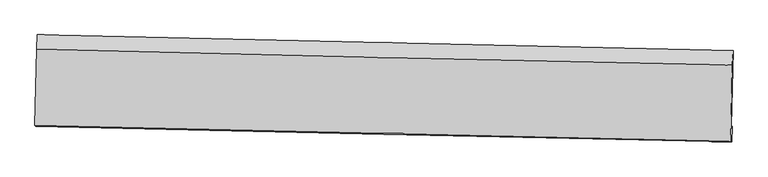
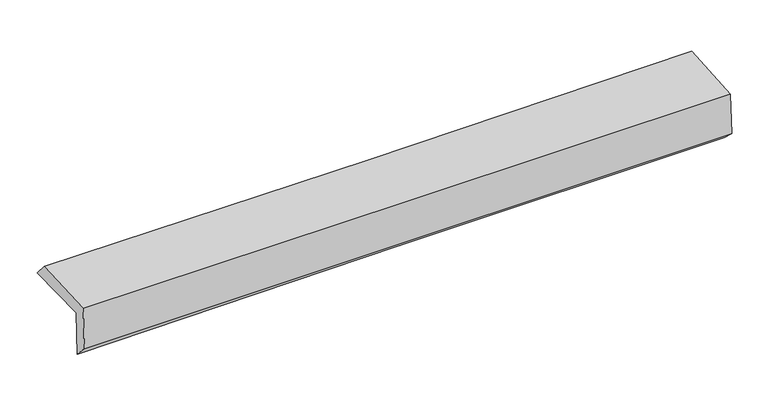
"""IFC4 building model written with IfcOpenShell, lengths in millimetres: proxy geometry."""

from ifc_helpers import new_model, si_unit, frame, origin, place, context, project, spatial, source, transform, mapped, element, save
from ifc_brep_helpers import plane_surface, spline_curve, spline_surface, advanced_brep


def generic_models_3c1c4b00(model_context):
    return source(origin(), model_context, "Body", "AdvancedBrep", [
        advanced_brep(
        [(-3031.3483382, -1740.1781697, 1974.2864923), (-3014.8149008, -1076.4875462, 1970.0351891), (3021.8947043, -1212.7684626, 2117.4669622), (3005.8552907, -1869.0205507, 2107.0603032), (-3022.8115816, -1746.0133072, 1563.4382155), (3014.3975581, -1875.4992076, 1695.1966715), (-3028.755543, -1871.7053402, 1697.3606175), (3008.4342716, -2009.7574504, 1819.9894396), (-3037.0524867, -1865.5792213, 2097.2008135), (3000.3431873, -2003.317387, 2210.4553463), (-3020.7586034, -1198.9155165, 2107.772577), (3016.2452351, -1340.2545722, 2235.3487474)],
        [
            (0, 1),
            (1, 2, spline_curve(3, [(-3014.8149008, -1076.4875462, 1970.0351891), (-2008.677102781, -1100.511870414, 1992.253406685), (-1002.550204922, -1123.880751647, 2015.64846623), (1009.686329931, -1169.307729455, 2064.792380059), (2015.795967235, -1191.365820537, 2090.541244765), (3021.8947043, -1212.7684626, 2117.4669622)], [4, 2, 4], [0.0, 9.90825238327431, 19.816549480597327])),
            (2, 3),
            (3, 0, spline_curve(3, [(3005.8552907, -1869.0205507, 2107.0603032), (1999.574676933, -1857.188482748, 2077.520148474), (993.332932319, -1840.535548581, 2051.685570219), (-1019.068276738, -1797.588044526, 2007.427666445), (-2025.227742228, -1771.293518365, 1989.004307821), (-3031.3483382, -1740.1781697, 1974.2864923)], [4, 2, 4], [0.0, 9.908297097323018, 19.816549480597327])),
            (4, 0),
            (3, 5),
            (5, 4, spline_curve(3, [(3014.3975581, -1875.4992076, 1695.1966715), (2008.516001141, -1844.023731827, 1669.80358047), (1002.473325309, -1817.495488973, 1646.12714262), (-1009.929722724, -1774.333566617, 1602.20767268), (-2016.290093631, -1757.699842691, 1581.964625097), (-3022.8115816, -1746.0133072, 1563.4382155)], [4, 2, 4], [0.0, 9.908260840795046, 19.816476967705004])),
            (6, 4),
            (5, 7),
            (7, 6, spline_curve(3, [(3008.4342716, -2009.7574504, 1819.9894396), (2002.15990092, -1987.58465426, 1802.27871802), (995.922429087, -1964.993886775, 1783.204262578), (-1016.474175317, -1918.976513259, 1742.327976055), (-2022.633308613, -1895.549910501, 1720.526157585), (-3028.755543, -1871.7053402, 1697.3606175)], [4, 2, 4], [0.0, 9.90822255514386, 19.816400396575407])),
            (8, 6),
            (7, 9),
            (9, 8, spline_curve(3, [(3000.3431873, -2003.317387, 2210.4553463), (1994.104243765, -1981.403720573, 2190.764175545), (987.867330627, -1958.968679633, 2171.480692032), (-1024.597894102, -1913.055952964, 2133.72918475), (-2030.826205487, -1889.578271882, 2115.26115734), (-3037.0524867, -1865.5792213, 2097.2008135)], [4, 2, 4], [0.0, 9.908192105797847, 19.81633949802079])),
            (10, 8),
            (9, 11),
            (11, 10, spline_curve(3, [(3016.2452351, -1340.2545722, 2235.3487474), (2010.131561582, -1319.431014503, 2208.450914789), (1003.989936401, -1297.240951248, 2184.370633385), (-1008.344676771, -1250.127920058, 2141.845268569), (-2014.537664329, -1225.204964779, 2123.400160067), (-3020.7586034, -1198.9155165, 2107.772577)], [4, 2, 4], [0.0, 9.908199559773971, 19.8163544059394])),
            (1, 10),
            (11, 2),
        ],
        [
            spline_surface(3, 3, [[(-3031.3483382, -1740.1781697, 1974.2864923), (-2025.227742074, -1771.293518524, 1989.004307853), (-1019.068276839, -1797.588044623, 2007.427666569), (993.33293242, -1840.535548484, 2051.685570095), (1999.574676865, -1857.188482685, 2077.520148337), (3005.8552907, -1869.0205507, 2107.0603032)], [(-3025.837192414, -1518.947961883, 1972.869391219), (-2019.710862318, -1547.699635866, 1990.087340805), (-1013.562252911, -1573.018946926, 2010.167933139), (998.784064978, -1616.792942178, 2056.054506744), (2004.98177373, -1635.24759534, 2081.860513839), (3011.201761925, -1650.269854651, 2110.529189531)], [(-3020.326046586, -1297.717754017, 1971.452290181), (-2014.193982521, -1324.105753159, 1991.170373802), (-1008.056228998, -1348.449849231, 2012.908199693), (1004.23519752, -1393.050335874, 2060.423443376), (2010.38887052, -1413.306708043, 2086.200879347), (3016.548233075, -1431.519158649, 2113.998075869)], [(-3014.8149008, -1076.4875462, 1970.0351891), (-2008.677102765, -1100.5118705, 1992.253406754), (-1002.550205069, -1123.880751534, 2015.648466263), (1009.686330078, -1169.307729568, 2064.792380025), (2015.795967384, -1191.365820698, 2090.541244849), (3021.8947043, -1212.7684626, 2117.4669622)]], [4, 4], [4, 2, 4], [0.0, 2.2071945348583846], [0.0, 9.90825238327431, 19.816549480597327]),
            spline_surface(3, 3, [[(-3022.8115816, -1746.0133072, 1563.4382155), (-2016.290093538, -1757.69984273, 1581.964625194), (-1009.929722717, -1774.333566733, 1602.207672733), (1002.473325302, -1817.495488857, 1646.127142566), (2008.516001051, -1844.023731703, 1669.803580374), (3014.3975581, -1875.4992076, 1695.1966715)], [(-3025.65716713, -1744.068261354, 1700.38764109), (-2019.269309713, -1762.231067981, 1717.644519404), (-1012.975907445, -1782.085059386, 1737.281003998), (999.426527655, -1825.175508755, 1781.313285061), (2005.535559638, -1848.411982059, 1805.70910303), (3011.550135615, -1873.339655328, 1832.484548735)], [(-3028.50275267, -1742.123215546, 1837.33706671), (-2022.248525899, -1766.762293272, 1853.324413643), (-1016.022092112, -1789.83655197, 1872.354335305), (996.379730067, -1832.855528586, 1916.4994276), (2002.555118279, -1852.800232329, 1941.614625681), (3008.702713185, -1871.180102972, 1969.772425965)], [(-3031.3483382, -1740.1781697, 1974.2864923), (-2025.227742074, -1771.293518524, 1989.004307853), (-1019.068276839, -1797.588044623, 2007.427666569), (993.33293242, -1840.535548484, 2051.685570095), (1999.574676865, -1857.188482685, 2077.520148337), (3005.8552907, -1869.0205507, 2107.0603032)]], [4, 4], [4, 2, 4], [0.0, 1.3325208628967573], [0.0, 9.908216126909958, 19.816476967705004]),
            spline_surface(3, 3, [[(-3028.755543, -1871.7053402, 1697.3606175), (-2022.63330854, -1895.549910481, 1720.52615759), (-1016.474175391, -1918.976513098, 1742.327976139), (995.922429162, -1964.993886936, 1783.204262495), (2002.159900841, -1987.584654387, 1802.278717951), (3008.4342716, -2009.7574504, 1819.9894396)], [(-3026.774222522, -1829.807995869, 1652.71981685), (-2020.518903528, -1849.599887899, 1674.338980142), (-1014.292691157, -1870.762197618, 1695.621208342), (998.106061218, -1915.827754219, 1737.51188919), (2004.278600902, -1939.731013471, 1758.120338755), (3010.422033758, -1965.004702778, 1778.391850229)], [(-3024.792902078, -1787.910651531, 1608.07901615), (-2018.40449855, -1803.649865311, 1628.151802643), (-1012.111206951, -1822.547882213, 1648.914440531), (1000.289693246, -1866.661621575, 1691.819515871), (2006.39730099, -1891.877372619, 1713.96195957), (3012.409795942, -1920.251955222, 1736.794260871)], [(-3022.8115816, -1746.0133072, 1563.4382155), (-2016.290093538, -1757.69984273, 1581.964625194), (-1009.929722717, -1774.333566733, 1602.207672733), (1002.473325302, -1817.495488857, 1646.127142566), (2008.516001051, -1844.023731703, 1669.803580374), (3014.3975581, -1875.4992076, 1695.1966715)]], [4, 4], [4, 2, 4], [0.0, 0.6609823073486829], [0.0, 9.908177841431547, 19.816400396575407]),
            spline_surface(3, 3, [[(-3037.0524867, -1865.5792213, 2097.2008135), (-2030.826205558, -1889.5782719, 2115.261157318), (-1024.597894071, -1913.055953, 2133.729184777), (987.867330596, -1958.968679598, 2171.480692006), (1994.104243738, -1981.403720413, 2190.76417553), (3000.3431873, -2003.317387, 2210.4553463)], [(-3034.2868388, -1867.621260932, 1963.920748156), (-2028.095239885, -1891.568818093, 1983.682824065), (-1021.889987842, -1915.029473056, 2003.262115242), (990.552363454, -1960.977082068, 2042.055215513), (1996.789462773, -1983.464031744, 2061.269023032), (3003.0402154, -2005.464074806, 2080.300044095)], [(-3031.5211909, -1869.663300568, 1830.640682844), (-2025.364274213, -1893.559364288, 1852.104490844), (-1019.18208162, -1917.002993041, 1872.795045674), (993.237396304, -1962.985484466, 1912.629738987), (1999.474681806, -1985.524343057, 1931.773870449), (3005.7372435, -2007.610762594, 1950.144741805)], [(-3028.755543, -1871.7053402, 1697.3606175), (-2022.63330854, -1895.549910481, 1720.52615759), (-1016.474175391, -1918.976513098, 1742.327976139), (995.922429162, -1964.993886936, 1783.204262495), (2002.159900841, -1987.584654387, 1802.278717951), (3008.4342716, -2009.7574504, 1819.9894396)]], [4, 4], [4, 2, 4], [0.0, 1.279424137784824], [0.0, 9.908147392222942, 19.81633949802079]),
            spline_surface(3, 3, [[(-3020.7586034, -1198.9155165, 2107.772577), (-2014.537664326, -1225.204964876, 2123.400159962), (-1008.344676734, -1250.127920203, 2141.845268617), (1003.989936365, -1297.240951102, 2184.370633337), (2010.13156158, -1319.431014344, 2208.450914782), (3016.2452351, -1340.2545722, 2235.3487474)], [(-3026.189897836, -1421.136751449, 2104.24865585), (-2019.967178072, -1446.6627339, 2120.687159097), (-1013.762415863, -1471.103931132, 2139.139907336), (998.615734426, -1517.816860597, 2180.073986225), (2004.789122303, -1540.088583043, 2202.555335007), (3010.944552504, -1561.275510476, 2227.050947009)], [(-3031.621192264, -1643.357986351, 2100.72473465), (-2025.396691812, -1668.120502876, 2117.974158183), (-1019.180154943, -1692.079942071, 2136.434546059), (993.241532535, -1738.392770103, 2175.777339118), (1999.446683014, -1760.746151714, 2196.659755305), (3005.643869896, -1782.296448724, 2218.753146691)], [(-3037.0524867, -1865.5792213, 2097.2008135), (-2030.826205558, -1889.5782719, 2115.261157318), (-1024.597894071, -1913.055953, 2133.729184777), (987.867330596, -1958.968679598, 2171.480692006), (1994.104243738, -1981.403720413, 2190.76417553), (3000.3431873, -2003.317387, 2210.4553463)]], [4, 4], [4, 2, 4], [0.0, 2.173913777022266], [0.0, 9.908154846165429, 19.8163544059394]),
            spline_surface(3, 3, [[(-3014.8149008, -1076.4875462, 1970.0351891), (-2008.677102765, -1100.5118705, 1992.253406754), (-1002.550205069, -1123.880751534, 2015.648466263), (1009.686330078, -1169.307729568, 2064.792380025), (2015.795967384, -1191.365820698, 2090.541244849), (3021.8947043, -1212.7684626, 2117.4669622)], [(-3016.796134999, -1117.296869613, 2015.947651735), (-2010.630623285, -1142.076235272, 2035.968991158), (-1004.481695605, -1165.963141073, 2057.714067043), (1007.787532193, -1211.952136728, 2104.65179779), (2013.907832114, -1234.054218574, 2129.844468161), (3020.011547898, -1255.263832461, 2156.760890601)], [(-3018.777369201, -1158.106193087, 2061.860114365), (-2012.584143806, -1183.640600104, 2079.684575558), (-1006.413186198, -1208.045530664, 2099.779667838), (1005.88873425, -1254.596543941, 2144.511215571), (2012.01969685, -1276.742616468, 2169.147691471), (3018.128391502, -1297.759202339, 2196.054818999)], [(-3020.7586034, -1198.9155165, 2107.772577), (-2014.537664326, -1225.204964876, 2123.400159962), (-1008.344676734, -1250.127920203, 2141.845268617), (1003.989936365, -1297.240951102, 2184.370633337), (2010.13156158, -1319.431014344, 2208.450914782), (3016.2452351, -1340.2545722, 2235.3487474)]], [4, 4], [4, 2, 4], [0.0, 0.5803125035296351], [0.0, 9.908172132834668, 19.81638897935589]),
            plane_surface(frame((3011.1950412, -1718.4362717, 2030.9195784), z_axis=(0.9994702520887888, -0.024762886046790656, 0.021119059264247557), x_axis=(0.020714351899745288, -0.016487498450688524, -0.9996494775771216))),
            plane_surface(frame((-3025.9235756, -1583.1465169, 1901.6823175), z_axis=(-0.9994702520887808, 0.024762886047034468, -0.02111905926434102), x_axis=(-0.024903125292640767, -0.9996693605451623, 0.006403431727228061))),
        ],
        [
            (0, [[1, 2, 3, 4]]),
            (1, [[5, -4, 6, 7]]),
            (2, [[8, -7, 9, 10]]),
            (3, [[11, -10, 12, 13]]),
            (4, [[14, -13, 15, 16]]),
            (5, [[17, -16, 18, -2]]),
            (6, [[-12, -9, -6, -3, -18, -15]]),
            (7, [[-1, -5, -8, -11, -14, -17]]),
        ],
    ),
    ])


if __name__ == "__main__":
    model = new_model("IFC4")
    model_context = context("Model", 3, world=origin())
    ifc_project = project(units=[si_unit("LENGTHUNIT", "METRE", prefix="MILLI")], contexts=[model_context])
    site = spatial("IfcSite", under=ifc_project)
    building = spatial("IfcBuilding", under=site)
    placement = place(None, origin())
    generic_models_shape = generic_models_3c1c4b00(model_context)
    element("IfcBuildingElementProxy", 1, Name="Generic Models", at=placement, inside=building, context=model_context, shape_type="MappedRepresentation", body=[
        mapped(generic_models_shape, transform((0.0, 0.0, 0.0), x_axis=(1.0, 0.0, 0.0), y_axis=(0.0, 1.0, 0.0), z_axis=(0.0, 0.0, 1.0))),
    ])
    save(model, "model.ifc")
